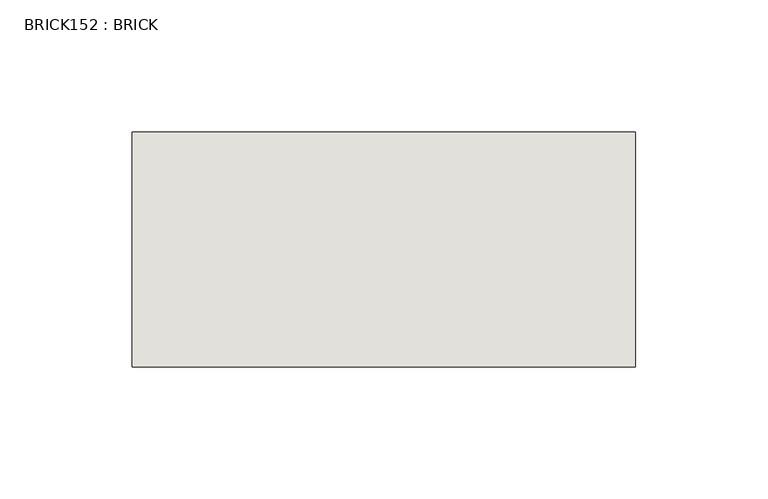
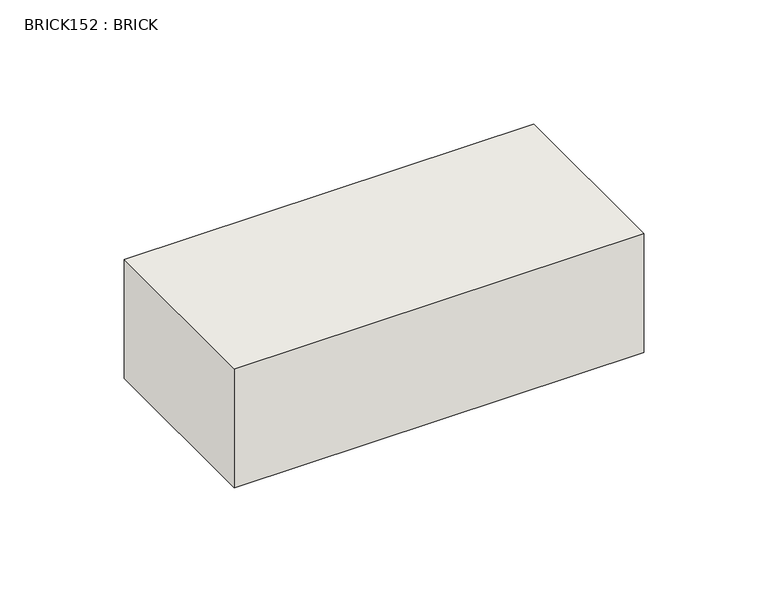
"""IFC4 building model written with IfcOpenShell, lengths in millimetres: wall geometry, BRICK152 : BRICK."""

from ifc_helpers import new_model, si_unit, frame, origin, place, context, project, spatial, polyline, outline, extrude, source, transform, mapped, element, save


def brick152_brick_eef91b15(model_context):
    return source(origin(), model_context, "Body", "SweptSolid", [
        extrude(outline(polyline([(-80.6727406, 2586.2274125), (109.8272594, 2586.2274125), (109.8272594, 2497.3274125), (-80.6727406, 2497.3274125), (-80.6727406, 2586.2274125)])), frame((0.0, 0.0, 423.2671875), z_axis=(0.0, 0.0, 1.0), x_axis=(1.0, 0.0, 0.0)), (0.0, 0.0, 1.0), 58.4398437),
    ])


if __name__ == "__main__":
    model = new_model("IFC4")
    model_context = context("Model", 3, world=origin())
    ifc_project = project(units=[si_unit("LENGTHUNIT", "METRE", prefix="MILLI")], contexts=[model_context])
    site = spatial("IfcSite", under=ifc_project)
    building = spatial("IfcBuilding", under=site)
    placement = place(None, origin())
    brick152_brick_shape = brick152_brick_eef91b15(model_context)
    element("IfcWall", 1, ObjectType="BRICK152 : BRICK", at=placement, inside=building, context=model_context, shape_type="MappedRepresentation", body=[
        mapped(brick152_brick_shape, transform((0.0, 0.0, 0.0), x_axis=(1.0, 0.0, 0.0), y_axis=(0.0, 1.0, 0.0), z_axis=(0.0, 0.0, 1.0))),
    ])
    save(model, "model.ifc")
